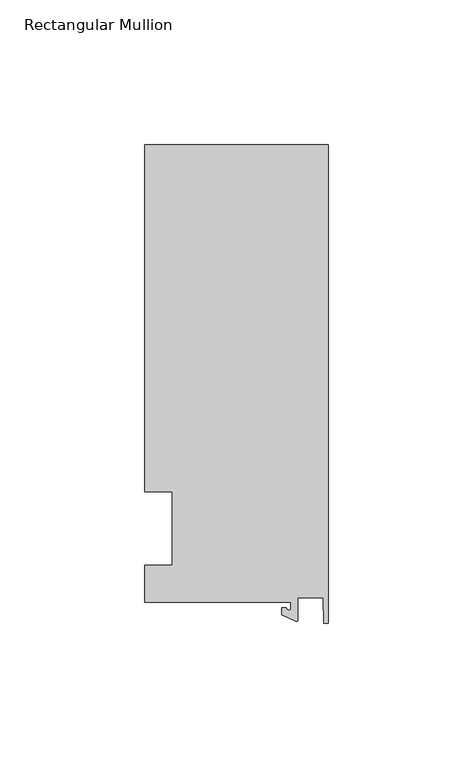
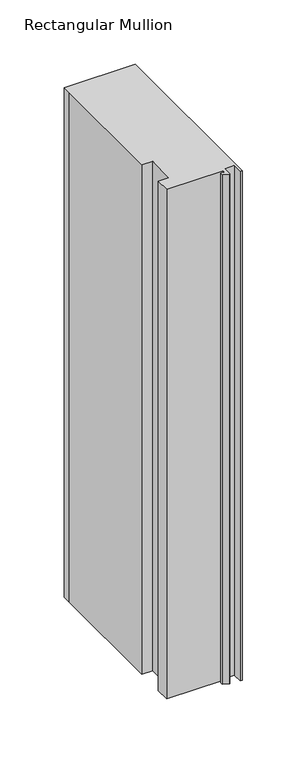
"""IFC4 building model written with IfcOpenShell, lengths in millimetres: member geometry, Rectangular Mullion."""

from ifc_helpers import new_model, si_unit, point, frame, frame_2d, origin, place, context, project, spatial, polyline, circle_curve, trimmed, segment, composite_curve, outline, extrude, source, transform, mapped, element, save


def rectangular_mullion_d8716e0f(model_context):
    return source(origin(), model_context, "Body", "SweptSolid", [
        extrude(outline(composite_curve([segment(polyline([(-12.8216721, -25.5984375), (-63.5, -25.5984375), (-63.5, -12.7), (-53.975, -12.7), (-53.975, 12.7), (-63.5, 12.7), (-63.5, 125.075512), (-63.5, 132.822512), (0.0, 132.822512), (0.0, -32.810012), (-1.5566453, -32.810012), (-1.7144124, -23.9227662), (-10.4340721, -23.9227662), (-10.4340721, -31.6795354)]), True, "CONTINUOUS"), segment(trimmed(circle_curve(frame_2d((-10.9420721, -31.6795354)), 0.508), [point((-10.4340721, -31.6795354))], [point((-11.1567622, -32.1399398))], False, "CARTESIAN"), True, "CONTINUOUS"), segment(polyline([(-11.1567622, -32.1399398), (-15.9966721, -29.8830527), (-15.9966721, -27.5208534), (-14.4091721, -27.5208534)]), True, "CONTINUOUS"), segment(trimmed(circle_curve(frame_2d((-13.6154221, -27.5208534)), 0.79375), [point((-14.4091721, -27.5208534))], [point((-12.8216721, -27.5208534))], True, "CARTESIAN"), True, "CONTINUOUS"), segment(polyline([(-12.8216721, -27.5208534), (-12.8216721, -25.5984375)]), True, "CONTINUOUS")], self_intersect=False)), frame((0.0, 0.0, -482.6), z_axis=(0.0, 0.0, 1.0), x_axis=(1.0, 0.0, 0.0)), (0.0, 0.0, 1.0), 482.6),
    ])


if __name__ == "__main__":
    model = new_model("IFC4")
    model_context = context("Model", 3, world=origin())
    ifc_project = project(units=[si_unit("LENGTHUNIT", "METRE", prefix="MILLI")], contexts=[model_context])
    site = spatial("IfcSite", under=ifc_project)
    building = spatial("IfcBuilding", under=site)
    placement = place(None, origin())
    rectangular_mullion_shape = rectangular_mullion_d8716e0f(model_context)
    element("IfcMember", 1, ObjectType="Rectangular Mullion", at=placement, inside=building, context=model_context, shape_type="MappedRepresentation", body=[
        mapped(rectangular_mullion_shape, transform((0.0, 0.0, 0.0), x_axis=(1.0, 0.0, 0.0), y_axis=(0.0, 1.0, 0.0), z_axis=(0.0, 0.0, 1.0))),
    ])
    save(model, "model.ifc")
